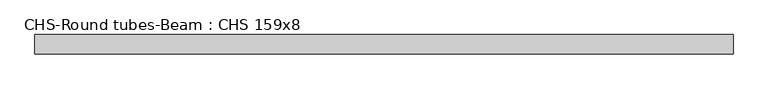
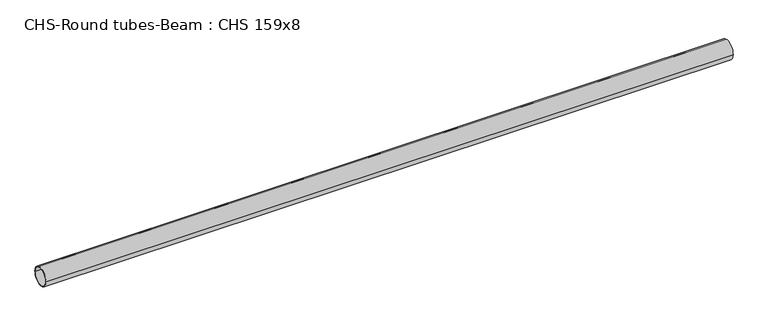
"""IFC4 building model written with IfcOpenShell, lengths in millimetres: beam geometry, CHS-Round tubes-Beam : CHS 159x8."""

from ifc_helpers import new_model, si_unit, point, frame, origin, origin_2d, place, context, project, spatial, circle_curve, trimmed, segment, composite_curve, outline, extrude, source, transform, mapped, element, save


def chs_round_tubes_beam_chs_159x8_73b6d477(model_context):
    return source(origin(), model_context, "Body", "SweptSolid", [
        extrude(outline(composite_curve([segment(trimmed(circle_curve(origin_2d(), 79.5), [point((79.5, 0.0))], [point((-79.5, 0.0))], False, "CARTESIAN"), True, "CONTINUOUS"), segment(trimmed(circle_curve(origin_2d(), 79.5), [point((-79.5, 0.0))], [point((79.5, 0.0))], False, "CARTESIAN"), True, "CONTINUOUS")], self_intersect=False), holes=[composite_curve([segment(trimmed(circle_curve(origin_2d(), 71.5), [point((71.5, 0.0))], [point((-71.5, 0.0))], True, "CARTESIAN"), True, "CONTINUOUS"), segment(trimmed(circle_curve(origin_2d(), 71.5), [point((-71.5, 0.0))], [point((71.5, 0.0))], True, "CARTESIAN"), True, "CONTINUOUS")], self_intersect=False)]), frame((-2801.9418621, 0.0, 0.0), z_axis=(1.0, 0.0, 0.0), x_axis=(0.0, 1.0, 0.0)), (0.0, 0.0, 1.0), 5748.447852),
    ])


if __name__ == "__main__":
    model = new_model("IFC4")
    model_context = context("Model", 3, world=origin())
    ifc_project = project(units=[si_unit("LENGTHUNIT", "METRE", prefix="MILLI")], contexts=[model_context])
    site = spatial("IfcSite", under=ifc_project)
    building = spatial("IfcBuilding", under=site)
    placement = place(None, origin())
    chs_round_tubes_beam_chs_159x8_shape = chs_round_tubes_beam_chs_159x8_73b6d477(model_context)
    element("IfcBeam", 1, ObjectType="CHS-Round tubes-Beam : CHS 159x8", at=placement, inside=building, context=model_context, shape_type="MappedRepresentation", body=[
        mapped(chs_round_tubes_beam_chs_159x8_shape, transform((0.0, 0.0, 0.0), x_axis=(1.0, 0.0, 0.0), y_axis=(0.0, 1.0, 0.0), z_axis=(0.0, 0.0, 1.0))),
    ])
    save(model, "model.ifc")
